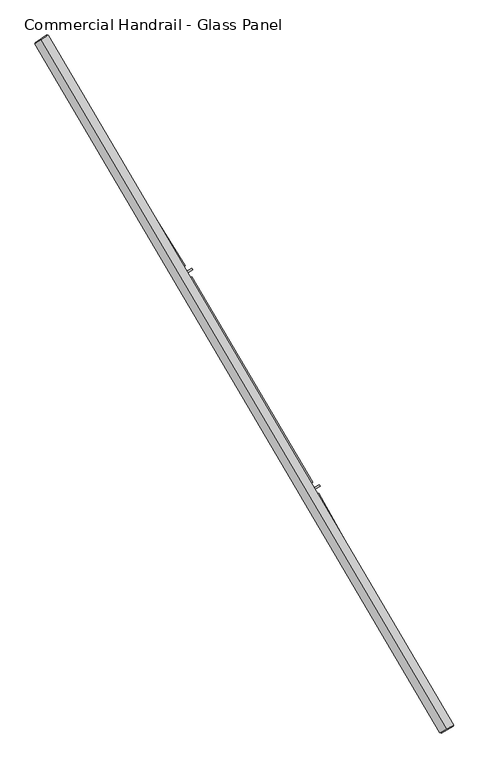
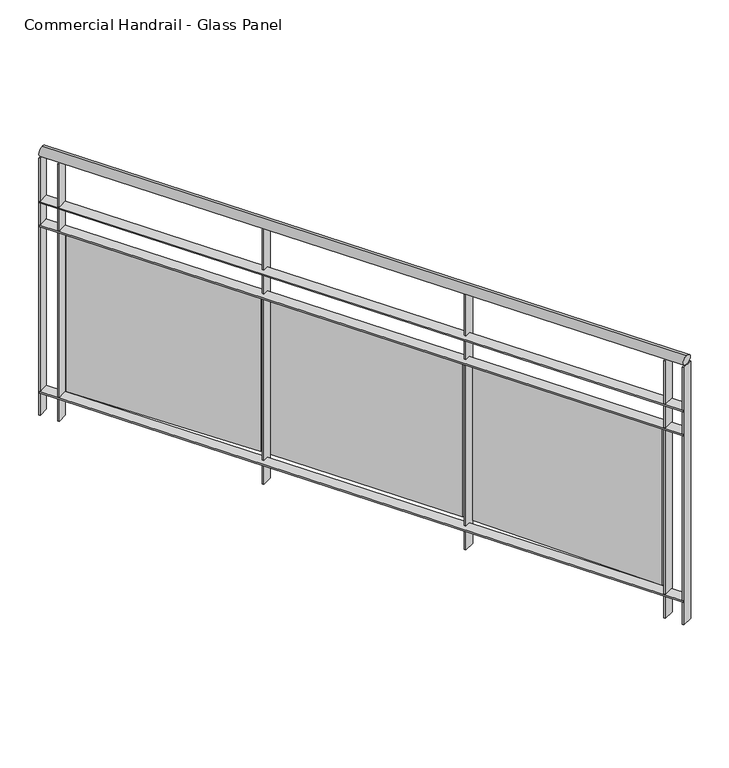
"""IFC4 building model written with IfcOpenShell, lengths in millimetres: railing geometry, Commercial Handrail - Glass Panel."""

from ifc_helpers import new_model, si_unit, point, frame, origin, place, context, project, spatial, polyline, circle_curve, ellipse_curve, trimmed, outline, extrude, source, transform, mapped, element, save
from ifc_brep_helpers import plane_surface, cylinder_surface, revolved_surface, advanced_brep


def commercial_handrail_glass_panel_932fa0cc(model_context):
    return source(origin(), model_context, "Body", "SolidModel", [
        advanced_brep(
        [(177076.0575657, -31977.9006077, 23082.5), (175783.9289157, -29780.3413827, 23082.5), (175783.9289157, -29780.3413827, 23117.5), (177076.0575657, -31977.9006077, 23117.5)],
        [
            (0, 1, circle_curve(frame((146629.3968491, -48401.3811221, 23082.5), z_axis=(0.0, 0.0, 1.0), x_axis=(0.8427679503753938, 0.5382770493157384, 0.0)), 34593.7835601)),
            (1, 2, ellipse_curve(frame((175783.9289157, -29780.3413827, 23100.0), z_axis=(0.5382770493157334, -0.842767950375397, 0.0), x_axis=(-0.842767950375397, -0.5382770493157334, 0.0)), 25.0, 17.5)),
            (2, 3, circle_curve(frame((146629.3968491, -48401.3811221, 23117.5), z_axis=(0.0, 0.0, -1.0), x_axis=(0.8427679503753938, 0.5382770493157384, 0.0)), 34593.7835601)),
            (3, 0, ellipse_curve(frame((177076.0575657, -31977.9006077, 23100.0), z_axis=(-0.47475236369846063, 0.8801194198304708, 0.0), x_axis=(-0.8801194198304708, -0.47475236369846063, 0.0)), 25.0, 17.5)),
            (2, 1, ellipse_curve(frame((175783.9289157, -29780.3413827, 23100.0), z_axis=(0.5382770493157334, -0.842767950375397, 0.0), x_axis=(-0.842767950375397, -0.5382770493157334, 0.0)), 25.0, 17.5)),
            (0, 3, ellipse_curve(frame((177076.0575657, -31977.9006077, 23100.0), z_axis=(-0.47475236369846063, 0.8801194198304708, 0.0), x_axis=(-0.8801194198304708, -0.47475236369846063, 0.0)), 25.0, 17.5)),
        ],
        [
            revolved_surface(trimmed(ellipse_curve(frame((175783.9289157, -29780.3413827, 23100.0), z_axis=(-0.5382770493157384, 0.8427679503753938, 0.0), x_axis=(0.0, 0.0, -1.0)), 17.5, 25.0), [point((175783.9289157, -29780.3413827, 23117.5))], [point((175783.9289157, -29780.3413827, 23082.5))], True, "CARTESIAN"), (146629.3968491, -48401.3811221, 23100.0), (0.0, 0.0, -1.0)),
            revolved_surface(trimmed(ellipse_curve(frame((175783.9289157, -29780.3413827, 23100.0), z_axis=(-0.5382770493157384, 0.8427679503753938, 0.0), x_axis=(0.0, 0.0, -1.0)), 17.5, 25.0), [point((175783.9289157, -29780.3413827, 23082.5))], [point((175783.9289157, -29780.3413827, 23117.5))], True, "CARTESIAN"), (146629.3968491, -48401.3811221, 23100.0), (0.0, 0.0, -1.0)),
            plane_surface(frame((175783.9289157, -29780.3413827, 23100.0), z_axis=(-0.5382770493157384, 0.8427679503753938, 0.0), x_axis=(0.8427679503753938, 0.5382770493157384, 0.0))),
            plane_surface(frame((177076.0575657, -31977.9006077, 23100.0), z_axis=(0.4747523636984607, -0.8801194198304708, 0.0), x_axis=(0.8801194198304708, 0.4747523636984607, 0.0))),
        ],
        [
            (0, [[1, 2, 3, 4]]),
            (1, [[-3, 5, -1, 6]]),
            (2, [[-2, -5]]),
            (3, [[-6, -4]]),
        ],
    ),
        advanced_brep(
        [(177095.8602527, -31967.2186795, 22900.0), (175802.8911946, -29768.2301491, 22900.0), (175764.9666369, -29792.4526163, 22900.0), (177056.2548788, -31988.5825359, 22900.0), (177095.8602527, -31967.2186795, 22894.0), (175802.8911946, -29768.2301491, 22894.0), (177056.2548788, -31988.5825359, 22894.0), (175764.9666369, -29792.4526163, 22894.0)],
        [
            (0, 1, circle_curve(frame((146629.3968491, -48401.3811221, 22900.0), z_axis=(0.0, 0.0, 1.0), x_axis=(0.8427679503753938, 0.5382770493157384, 0.0)), 34616.2835601)),
            (1, 2),
            (2, 3, circle_curve(frame((146629.3968491, -48401.3811221, 22900.0), z_axis=(0.0, 0.0, -1.0), x_axis=(0.8427679503753938, 0.5382770493157384, 0.0)), 34571.2835601)),
            (3, 0),
            (4, 5, circle_curve(frame((146629.3968491, -48401.3811221, 22894.0), z_axis=(0.0, 0.0, 1.0), x_axis=(0.8427679503753938, 0.5382770493157384, 0.0)), 34616.2835601)),
            (5, 1),
            (0, 4),
            (6, 7, circle_curve(frame((146629.3968491, -48401.3811221, 22894.0), z_axis=(0.0, 0.0, 1.0), x_axis=(0.8427679503753938, 0.5382770493157384, 0.0)), 34571.2835601)),
            (7, 5),
            (4, 6),
            (2, 7),
            (6, 3),
        ],
        [
            plane_surface(frame((146629.3968491, -48401.3811221, 22900.0), z_axis=(0.0, 0.0, 1.0), x_axis=(0.8427679503753938, 0.5382770493157384, 0.0))),
            cylinder_surface(frame((146629.3968491, -48401.3811221, 22900.0), z_axis=(0.0, 0.0, -1.0), x_axis=(0.8427679503753938, 0.5382770493157384, 0.0)), 34616.2835601),
            plane_surface(frame((146629.3968491, -48401.3811221, 22894.0), z_axis=(0.0, 0.0, -1.0), x_axis=(0.8427679503753938, 0.5382770493157384, 0.0))),
            revolved_surface(polyline([(175764.96663689203, -29792.45261631168, 22894.0), (175764.96663689203, -29792.45261631168, 22900.0)]), (146629.3968491, -48401.3811221, 22900.0), (0.0, 0.0, -1.0)),
            plane_surface(frame((175783.9289157, -29780.3413827, 22900.0), z_axis=(-0.5382770493157384, 0.8427679503753938, 0.0), x_axis=(0.8427679503753938, 0.5382770493157384, 0.0))),
            plane_surface(frame((177076.0575657, -31977.9006077, 22900.0), z_axis=(0.4747523636984607, -0.8801194198304708, 0.0), x_axis=(0.8801194198304708, 0.4747523636984607, 0.0))),
        ],
        [
            (0, [[1, 2, 3, 4]]),
            (1, [[5, 6, -1, 7]]),
            (2, [[8, 9, -5, 10]]),
            (3, [[-3, 11, -8, 12]]),
            (4, [[-2, -6, -9, -11]]),
            (5, [[-12, -10, -7, -4]]),
        ],
    ),
        advanced_brep(
        [(177095.8602527, -31967.2186795, 22800.0), (175802.8911946, -29768.2301491, 22800.0), (175764.9666369, -29792.4526163, 22800.0), (177056.2548788, -31988.5825359, 22800.0), (177095.8602527, -31967.2186795, 22794.0), (175802.8911946, -29768.2301491, 22794.0), (177056.2548788, -31988.5825359, 22794.0), (175764.9666369, -29792.4526163, 22794.0)],
        [
            (0, 1, circle_curve(frame((146629.3968491, -48401.3811221, 22800.0), z_axis=(0.0, 0.0, 1.0), x_axis=(0.8427679503753938, 0.5382770493157384, 0.0)), 34616.2835601)),
            (1, 2),
            (2, 3, circle_curve(frame((146629.3968491, -48401.3811221, 22800.0), z_axis=(0.0, 0.0, -1.0), x_axis=(0.8427679503753938, 0.5382770493157384, 0.0)), 34571.2835601)),
            (3, 0),
            (4, 5, circle_curve(frame((146629.3968491, -48401.3811221, 22794.0), z_axis=(0.0, 0.0, 1.0), x_axis=(0.8427679503753938, 0.5382770493157384, 0.0)), 34616.2835601)),
            (5, 1),
            (0, 4),
            (6, 7, circle_curve(frame((146629.3968491, -48401.3811221, 22794.0), z_axis=(0.0, 0.0, 1.0), x_axis=(0.8427679503753938, 0.5382770493157384, 0.0)), 34571.2835601)),
            (7, 5),
            (4, 6),
            (2, 7),
            (6, 3),
        ],
        [
            plane_surface(frame((146629.3968491, -48401.3811221, 22800.0), z_axis=(0.0, 0.0, 1.0), x_axis=(0.8427679503753938, 0.5382770493157384, 0.0))),
            cylinder_surface(frame((146629.3968491, -48401.3811221, 22800.0), z_axis=(0.0, 0.0, -1.0), x_axis=(0.8427679503753938, 0.5382770493157384, 0.0)), 34616.2835601),
            plane_surface(frame((146629.3968491, -48401.3811221, 22794.0), z_axis=(0.0, 0.0, -1.0), x_axis=(0.8427679503753938, 0.5382770493157384, 0.0))),
            revolved_surface(polyline([(175764.96663689203, -29792.45261631168, 22794.0), (175764.96663689203, -29792.45261631168, 22800.0)]), (146629.3968491, -48401.3811221, 22800.0), (0.0, 0.0, -1.0)),
            plane_surface(frame((175783.9289157, -29780.3413827, 22800.0), z_axis=(-0.5382770493157384, 0.8427679503753938, 0.0), x_axis=(0.8427679503753938, 0.5382770493157384, 0.0))),
            plane_surface(frame((177076.0575657, -31977.9006077, 22800.0), z_axis=(0.4747523636984607, -0.8801194198304708, 0.0), x_axis=(0.8801194198304708, 0.4747523636984607, 0.0))),
        ],
        [
            (0, [[1, 2, 3, 4]]),
            (1, [[5, 6, -1, 7]]),
            (2, [[8, 9, -5, 10]]),
            (3, [[-3, 11, -8, 12]]),
            (4, [[-2, -6, -9, -11]]),
            (5, [[-12, -10, -7, -4]]),
        ],
    ),
        advanced_brep(
        [(177095.8602527, -31967.2186795, 22100.0), (175802.8911946, -29768.2301491, 22100.0), (175764.9666369, -29792.4526163, 22100.0), (177056.2548788, -31988.5825359, 22100.0), (177095.8602527, -31967.2186795, 22094.0), (175802.8911946, -29768.2301491, 22094.0), (177056.2548788, -31988.5825359, 22094.0), (175764.9666369, -29792.4526163, 22094.0)],
        [
            (0, 1, circle_curve(frame((146629.3968491, -48401.3811221, 22100.0), z_axis=(0.0, 0.0, 1.0), x_axis=(0.8427679503753938, 0.5382770493157384, 0.0)), 34616.2835601)),
            (1, 2),
            (2, 3, circle_curve(frame((146629.3968491, -48401.3811221, 22100.0), z_axis=(0.0, 0.0, -1.0), x_axis=(0.8427679503753938, 0.5382770493157384, 0.0)), 34571.2835601)),
            (3, 0),
            (4, 5, circle_curve(frame((146629.3968491, -48401.3811221, 22094.0), z_axis=(0.0, 0.0, 1.0), x_axis=(0.8427679503753938, 0.5382770493157384, 0.0)), 34616.2835601)),
            (5, 1),
            (0, 4),
            (6, 7, circle_curve(frame((146629.3968491, -48401.3811221, 22094.0), z_axis=(0.0, 0.0, 1.0), x_axis=(0.8427679503753938, 0.5382770493157384, 0.0)), 34571.2835601)),
            (7, 5),
            (4, 6),
            (2, 7),
            (6, 3),
        ],
        [
            plane_surface(frame((146629.3968491, -48401.3811221, 22100.0), z_axis=(0.0, 0.0, 1.0), x_axis=(0.8427679503753938, 0.5382770493157384, 0.0))),
            cylinder_surface(frame((146629.3968491, -48401.3811221, 22100.0), z_axis=(0.0, 0.0, -1.0), x_axis=(0.8427679503753938, 0.5382770493157384, 0.0)), 34616.2835601),
            plane_surface(frame((146629.3968491, -48401.3811221, 22094.0), z_axis=(0.0, 0.0, -1.0), x_axis=(0.8427679503753938, 0.5382770493157384, 0.0))),
            revolved_surface(polyline([(175764.96663689203, -29792.45261631168, 22094.0), (175764.96663689203, -29792.45261631168, 22100.0)]), (146629.3968491, -48401.3811221, 22100.0), (0.0, 0.0, -1.0)),
            plane_surface(frame((175783.9289157, -29780.3413827, 22100.0), z_axis=(-0.5382770493157384, 0.8427679503753938, 0.0), x_axis=(0.8427679503753938, 0.5382770493157384, 0.0))),
            plane_surface(frame((177076.0575657, -31977.9006077, 22100.0), z_axis=(0.4747523636984607, -0.8801194198304708, 0.0), x_axis=(0.8801194198304708, 0.4747523636984607, 0.0))),
        ],
        [
            (0, [[1, 2, 3, 4]]),
            (1, [[5, 6, -1, 7]]),
            (2, [[8, 9, -5, 10]]),
            (3, [[-3, 11, -8, 12]]),
            (4, [[-2, -6, -9, -11]]),
            (5, [[-12, -10, -7, -4]]),
        ],
    ),
        extrude(outline(polyline([(177019.2025619, -31920.0776321), (177058.7615677, -31898.6280386), (177061.6215135, -31903.9025727), (177022.0625077, -31925.3521662), (177019.2025619, -31920.0776321)])), frame((0.0, 0.0, 22000.0), z_axis=(0.0, 0.0, 1.0), x_axis=(1.0, 0.0, 0.0)), (0.0, 0.0, 1.0), 1082.1192282),
        extrude(outline(polyline([(176667.9811331, -31226.6066951), (177037.9417222, -31890.4810526), (177027.4594955, -31896.3225355), (176657.4989064, -31232.4481781), (176667.9811331, -31226.6066951)])), frame((0.0, 0.0, 22120.0), z_axis=(0.0, 0.0, 1.0), x_axis=(1.0, 0.0, 0.0)), (0.0, 0.0, 1.0), 660.0),
        extrude(outline(polyline([(176629.9717234, -31221.766365), (176669.0241625, -31199.4077648), (176672.0053092, -31204.6147567), (176632.9528701, -31226.9733569), (176629.9717234, -31221.766365)])), frame((0.0, 0.0, 22000.0), z_axis=(0.0, 0.0, 1.0), x_axis=(1.0, 0.0, 0.0)), (0.0, 0.0, 1.0), 1082.1192282),
        extrude(outline(polyline([(176262.8087433, -30536.6023126), (176648.0214972, -31191.7443844), (176637.6771487, -31197.8266911), (176252.4643948, -30542.6846193), (176262.8087433, -30536.6023126)])), frame((0.0, 0.0, 22120.0), z_axis=(0.0, 0.0, 1.0), x_axis=(1.0, 0.0, 0.0)), (0.0, 0.0, 1.0), 660.0),
        extrude(outline(polyline([(176224.6975714, -30532.6421866), (176263.2225599, -30509.3865364), (176266.3233132, -30514.5232015), (176227.7983248, -30537.7788517), (176224.6975714, -30532.6421866)])), frame((0.0, 0.0, 22000.0), z_axis=(0.0, 0.0, 1.0), x_axis=(1.0, 0.0, 0.0)), (0.0, 0.0, 1.0), 1082.1192282),
        extrude(outline(polyline([(175841.7893867, -29856.1514219), (176242.0483063, -30502.2108598), (176231.8473678, -30508.5307375), (175831.5884482, -29862.4712996), (175841.7893867, -29856.1514219)])), frame((0.0, 0.0, 22120.0), z_axis=(0.0, 0.0, 1.0), x_axis=(1.0, 0.0, 0.0)), (0.0, 0.0, 1.0), 660.0),
        extrude(outline(polyline([(175803.5968332, -29853.0736178), (175841.5737692, -29828.9333539), (175844.792471, -29833.9969454), (175806.8155351, -29858.1372092), (175803.5968332, -29853.0736178)])), frame((0.0, 0.0, 22000.0), z_axis=(0.0, 0.0, 1.0), x_axis=(1.0, 0.0, 0.0)), (0.0, 0.0, 1.0), 1082.1192282),
        extrude(outline(polyline([(177054.8306217, -31985.9421776), (177094.4359956, -31964.5783212), (177097.2845098, -31969.8590378), (177057.6791359, -31991.2228941), (177054.8306217, -31985.9421776)])), frame((0.0, 0.0, 22000.0), z_axis=(0.0, 0.0, 1.0), x_axis=(1.0, 0.0, 0.0)), (0.0, 0.0, 1.0), 1082.1192282),
        extrude(outline(polyline([(175763.3518057, -29789.9243125), (175801.2763635, -29765.7018453), (175804.5060258, -29770.758453), (175766.581468, -29794.9809202), (175763.3518057, -29789.9243125)])), frame((0.0, 0.0, 22000.0), z_axis=(0.0, 0.0, 1.0), x_axis=(1.0, 0.0, 0.0)), (0.0, 0.0, 1.0), 1082.1192282),
    ])


if __name__ == "__main__":
    model = new_model("IFC4")
    model_context = context("Model", 3, world=origin())
    ifc_project = project(units=[si_unit("LENGTHUNIT", "METRE", prefix="MILLI")], contexts=[model_context])
    site = spatial("IfcSite", under=ifc_project)
    building = spatial("IfcBuilding", under=site)
    placement = place(None, origin())
    commercial_handrail_glass_panel_shape = commercial_handrail_glass_panel_932fa0cc(model_context)
    element("IfcRailing", 1, ObjectType="Commercial Handrail - Glass Panel", at=placement, inside=building, context=model_context, shape_type="MappedRepresentation", body=[
        mapped(commercial_handrail_glass_panel_shape, transform((0.0, 0.0, 0.0), x_axis=(1.0, 0.0, 0.0), y_axis=(0.0, 1.0, 0.0), z_axis=(0.0, 0.0, 1.0))),
    ])
    save(model, "model.ifc")
